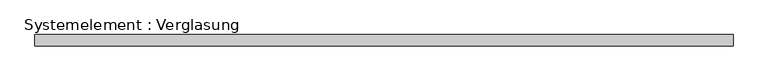
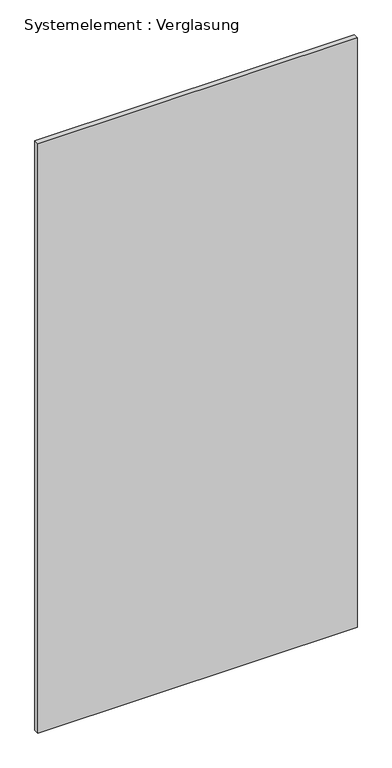
"""IFC4 building model written with IfcOpenShell, lengths in millimetres: plate geometry, Systemelement : Verglasung."""

from ifc_helpers import new_model, si_unit, origin, origin_with_axes, place, context, project, spatial, polyline, outline, extrude, source, transform, mapped, element, save


def systemelement_verglasung_b68154b4(model_context):
    return source(origin(), model_context, "Body", "SweptSolid", [
        extrude(outline(polyline([(933.2094797, -15.0), (-933.2094797, -15.0), (-933.2094797, 15.0), (933.2094797, 15.0), (933.2094797, -15.0)])), origin_with_axes(), (0.0, 0.0, 1.0), 3645.0),
    ])


if __name__ == "__main__":
    model = new_model("IFC4")
    model_context = context("Model", 3, world=origin())
    ifc_project = project(units=[si_unit("LENGTHUNIT", "METRE", prefix="MILLI")], contexts=[model_context])
    site = spatial("IfcSite", under=ifc_project)
    building = spatial("IfcBuilding", under=site)
    placement = place(None, origin())
    systemelement_verglasung_shape = systemelement_verglasung_b68154b4(model_context)
    element("IfcPlate", 1, ObjectType="Systemelement : Verglasung", at=placement, inside=building, context=model_context, shape_type="MappedRepresentation", body=[
        mapped(systemelement_verglasung_shape, transform((0.0, 0.0, 0.0), x_axis=(1.0, 0.0, 0.0), y_axis=(0.0, 1.0, 0.0), z_axis=(0.0, 0.0, 1.0))),
    ])
    save(model, "model.ifc")
